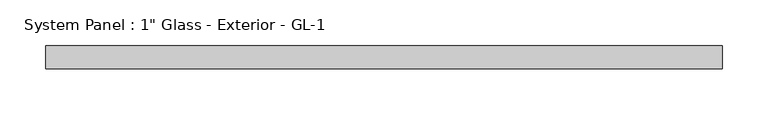
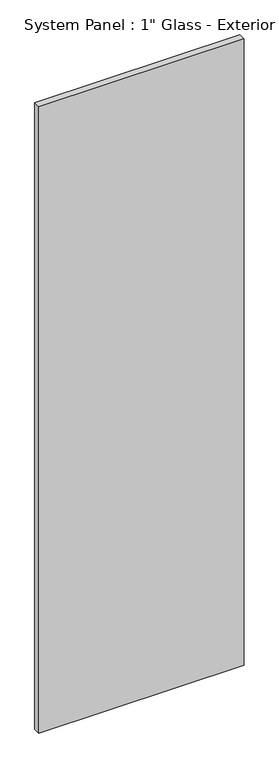
"""IFC4 building model written with IfcOpenShell, lengths in millimetres: plate geometry."""

from ifc_helpers import new_model, si_unit, origin, origin_with_axes, place, context, project, spatial, polyline, outline, extrude, source, transform, mapped, element, save


def plate_f5590fc9(model_context):
    return source(origin(), model_context, "Body", "SweptSolid", [
        extrude(outline(polyline([(371.4750004, 12.7), (-371.4750004, 12.7), (-371.4750004, 38.1), (371.4750004, 38.1), (371.4750004, 12.7)])), origin_with_axes(), (0.0, 0.0, 1.0), 2397.125),
    ])


if __name__ == "__main__":
    model = new_model("IFC4")
    model_context = context("Model", 3, world=origin())
    ifc_project = project(units=[si_unit("LENGTHUNIT", "METRE", prefix="MILLI")], contexts=[model_context])
    site = spatial("IfcSite", under=ifc_project)
    building = spatial("IfcBuilding", under=site)
    placement = place(None, origin())
    plate_shape = plate_f5590fc9(model_context)
    element("IfcPlate", 1, ObjectType="System Panel : 1\" Glass - Exterior - GL-1", at=placement, inside=building, context=model_context, shape_type="MappedRepresentation", body=[
        mapped(plate_shape, transform((0.0, 0.0, 0.0), x_axis=(1.0, 0.0, 0.0), y_axis=(0.0, 1.0, 0.0), z_axis=(0.0, 0.0, 1.0))),
    ])
    save(model, "model.ifc")
